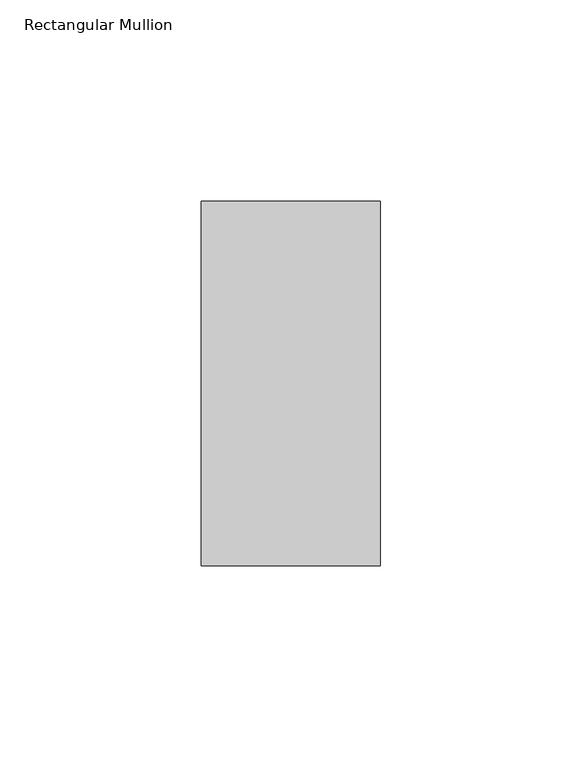
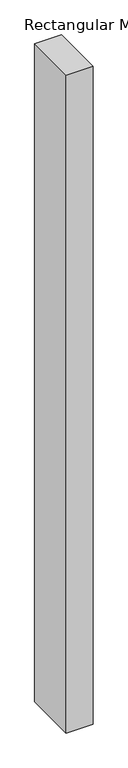
"""IFC4 building model written with IfcOpenShell, lengths in millimetres: member geometry, Rectangular Mullion."""

from ifc_helpers import new_model, si_unit, frame, origin, place, context, project, spatial, polyline, outline, extrude, source, transform, mapped, element, save


def rectangular_mullion_ed7d96a3(model_context):
    return source(origin(), model_context, "Body", "SweptSolid", [
        extrude(outline(polyline([(0.0, 45.2274954), (0.0, -45.1980997), (-44.4386654, -45.1980997), (-44.4386654, 45.2274954), (0.0, 45.2274954)])), frame((0.0, 0.0, -1152.532945), z_axis=(0.0, 0.0, 1.0), x_axis=(1.0, 0.0, 0.0)), (0.0, 0.0, 1.0), 1152.532945),
    ])


if __name__ == "__main__":
    model = new_model("IFC4")
    model_context = context("Model", 3, world=origin())
    ifc_project = project(units=[si_unit("LENGTHUNIT", "METRE", prefix="MILLI")], contexts=[model_context])
    site = spatial("IfcSite", under=ifc_project)
    building = spatial("IfcBuilding", under=site)
    placement = place(None, origin())
    rectangular_mullion_shape = rectangular_mullion_ed7d96a3(model_context)
    element("IfcMember", 1, ObjectType="Rectangular Mullion", at=placement, inside=building, context=model_context, shape_type="MappedRepresentation", body=[
        mapped(rectangular_mullion_shape, transform((0.0, 0.0, 0.0), x_axis=(1.0, 0.0, 0.0), y_axis=(0.0, 1.0, 0.0), z_axis=(0.0, 0.0, 1.0))),
    ])
    save(model, "model.ifc")
